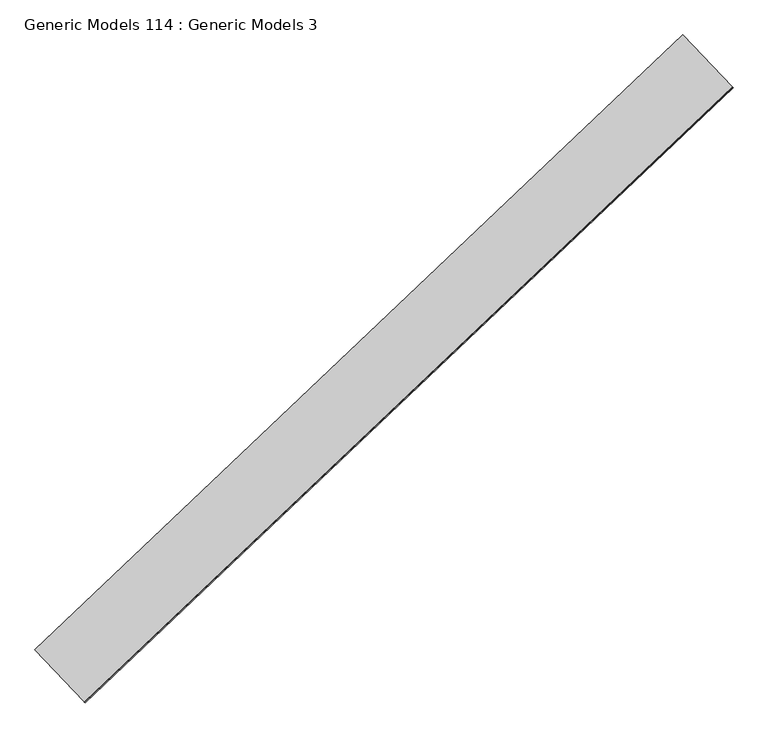
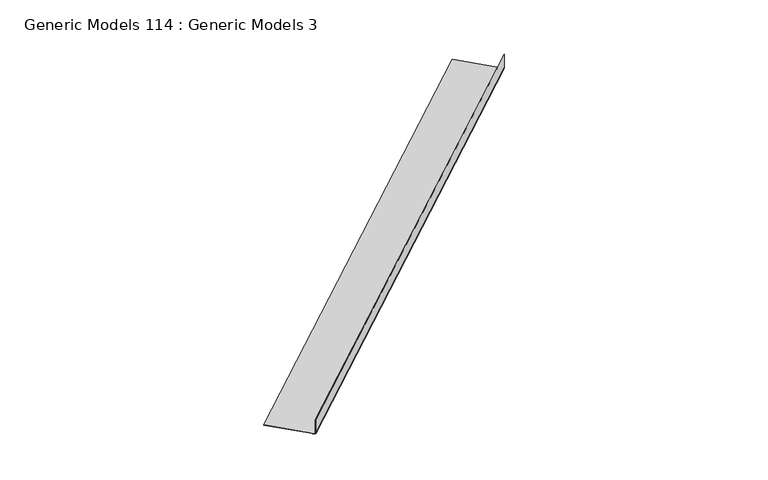
"""IFC4 building model written with IfcOpenShell, lengths in millimetres: proxy geometry, Generic Models 114 : Generic Models 3."""

from ifc_helpers import new_model, si_unit, point, frame, frame_2d, origin, place, context, project, spatial, polyline, circle_curve, trimmed, segment, composite_curve, outline, extrude, source, transform, mapped, element, save


def generic_models_114_generic_models_3_a59a1dde(model_context):
    return source(origin(), model_context, "Body", "SweptSolid", [
        extrude(outline(composite_curve([segment(trimmed(circle_curve(frame_2d((473.5699278, 4.7625001)), 4.7625), [point((473.5699278, 0.0))], [point((478.3324278, 4.7625001))], True, "CARTESIAN"), True, "CONTINUOUS"), segment(polyline([(478.3324278, 4.7625001), (478.3324278, 367.7757315), (479.9199278, 367.7757315), (479.9199278, 4.7625001)]), True, "CONTINUOUS"), segment(trimmed(circle_curve(frame_2d((473.5699278, 4.7625001)), 6.35), [point((479.9199278, 4.7625001))], [point((473.5699278, -1.5875))], False, "CARTESIAN"), True, "CONTINUOUS"), segment(polyline([(473.5699278, -1.5875), (362.8482892, -1.5875), (362.8482892, 0.0), (473.5699278, 0.0)]), True, "CONTINUOUS")], self_intersect=False)), frame((101861.2307713, 42689.914839, 17881.2939515), z_axis=(0.7253743710122986, 0.6883545756937424, 0.0), x_axis=(0.0, 0.0, -1.0)), (0.0, 0.0, 1.0), 4530.725),
    ])


if __name__ == "__main__":
    model = new_model("IFC4")
    model_context = context("Model", 3, world=origin())
    ifc_project = project(units=[si_unit("LENGTHUNIT", "METRE", prefix="MILLI")], contexts=[model_context])
    site = spatial("IfcSite", under=ifc_project)
    building = spatial("IfcBuilding", under=site)
    placement = place(None, origin())
    generic_models_114_generic_models_3_shape = generic_models_114_generic_models_3_a59a1dde(model_context)
    element("IfcBuildingElementProxy", 1, Name="Generic Models 114 : Generic Models 3", ObjectType="Generic Models 114 : Generic Models 3", at=placement, inside=building, context=model_context, shape_type="MappedRepresentation", body=[
        mapped(generic_models_114_generic_models_3_shape, transform((0.0, 0.0, 0.0), x_axis=(1.0, 0.0, 0.0), y_axis=(0.0, 1.0, 0.0), z_axis=(0.0, 0.0, 1.0))),
    ])
    save(model, "model.ifc")
